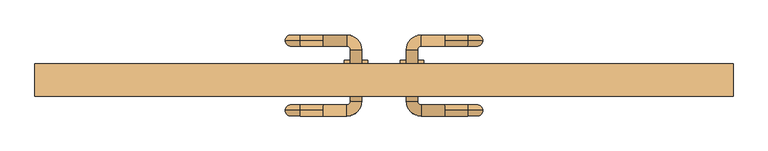
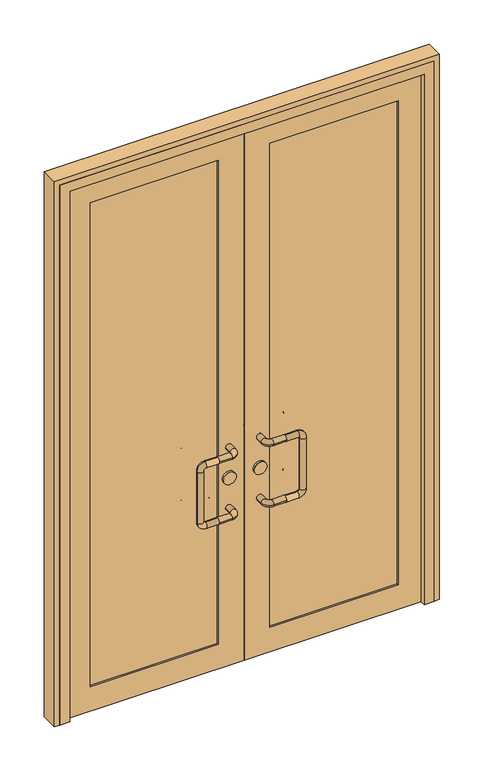
"""IFC4 building model written with IfcOpenShell, lengths in millimetres: door geometry."""

from ifc_helpers import new_model, si_unit, point, frame, frame_2d, origin, place, context, project, spatial, polyline, circle_curve, ellipse_curve, trimmed, segment, composite_curve, outline, extrude, faceted_brep, source, transform, mapped, element, save
from ifc_brep_helpers import cylinder_surface, revolved_surface, advanced_brep


def door_937a8929(model_context):
    return source(origin(), model_context, "Body", "SolidModel", [
        advanced_brep(
        [(-130.0, 122.0, 900.0), (-130.0, 110.0, 912.0), (-130.0, 98.0, 900.0), (-80.0, 98.0, 900.0), (-80.0, 122.0, 900.0), (-130.0, 110.0, 888.0), (-72.0, 90.0, 900.0), (-48.0, 90.0, 900.0), (-72.0, -20.0, 900.0), (-48.0, -20.0, 900.0), (-80.0, -28.0, 900.0), (-80.0, -52.0, 900.0), (-130.0, -28.0, 900.0), (-130.0, -40.0, 912.0), (-130.0, -52.0, 900.0), (-130.0, -40.0, 888.0), (-180.0, 110.0, 912.0), (-180.0, 110.0, 888.0), (-212.0, 110.0, 880.0), (-188.0, 110.0, 880.0), (-212.0, 110.0, 670.0), (-188.0, 110.0, 670.0), (-180.0, 110.0, 638.0), (-180.0, 110.0, 662.0), (-130.0, 110.0, 638.0), (-130.0, 98.0, 650.0), (-130.0, 110.0, 662.0), (-130.0, 122.0, 650.0), (-80.0, 98.0, 650.0), (-80.0, 122.0, 650.0), (-72.0, 90.0, 650.0), (-48.0, 90.0, 650.0), (-72.0, -20.0, 650.0), (-48.0, -20.0, 650.0), (-80.0, -28.0, 650.0), (-80.0, -52.0, 650.0), (-130.0, -28.0, 650.0), (-130.0, -40.0, 662.0), (-130.0, -52.0, 650.0), (-130.0, -40.0, 638.0), (-180.0, -40.0, 912.0), (-180.0, -40.0, 888.0), (-212.0, -40.0, 880.0), (-188.0, -40.0, 880.0), (-212.0, -40.0, 670.0), (-188.0, -40.0, 670.0), (-180.0, -40.0, 638.0), (-180.0, -40.0, 662.0)],
        [
            (0, 1, circle_curve(frame((-130.0, 110.0, 900.0), z_axis=(1.0, 0.0, 0.0), x_axis=(0.0, -1.0, 0.0)), 12.0)),
            (1, 2, circle_curve(frame((-130.0, 110.0, 900.0), z_axis=(1.0, 0.0, 0.0), x_axis=(0.0, -1.0, 0.0)), 12.0)),
            (2, 3),
            (3, 4, circle_curve(frame((-80.0, 110.0, 900.0), z_axis=(-1.0, 0.0, 0.0), x_axis=(0.0, -1.0, 0.0)), 12.0)),
            (4, 0),
            (4, 3, circle_curve(frame((-80.0, 110.0, 900.0), z_axis=(-1.0, 0.0, 0.0), x_axis=(0.0, -1.0, 0.0)), 12.0)),
            (2, 5, circle_curve(frame((-130.0, 110.0, 900.0), z_axis=(1.0, 0.0, 0.0), x_axis=(0.0, -1.0, 0.0)), 12.0)),
            (5, 0, circle_curve(frame((-130.0, 110.0, 900.0), z_axis=(1.0, 0.0, 0.0), x_axis=(0.0, -1.0, 0.0)), 12.0)),
            (3, 6, circle_curve(frame((-80.0, 90.0, 900.0), z_axis=(0.0, 0.0, -1.0), x_axis=(0.0, 1.0, 0.0)), 8.0)),
            (6, 7, circle_curve(frame((-60.0, 90.0, 900.0), z_axis=(0.0, 1.0, 0.0), x_axis=(-1.0, 0.0, 0.0)), 12.0)),
            (7, 4, circle_curve(frame((-80.0, 90.0, 900.0), z_axis=(0.0, 0.0, 1.0), x_axis=(0.0, 1.0, 0.0)), 32.0)),
            (7, 6, circle_curve(frame((-60.0, 90.0, 900.0), z_axis=(0.0, 1.0, 0.0), x_axis=(-1.0, 0.0, 0.0)), 12.0)),
            (6, 8),
            (8, 9, circle_curve(frame((-60.0, -20.0, 900.0), z_axis=(0.0, 1.0, 0.0), x_axis=(-1.0, 0.0, 0.0)), 12.0)),
            (9, 7),
            (9, 8, circle_curve(frame((-60.0, -20.0, 900.0), z_axis=(0.0, 1.0, 0.0), x_axis=(-1.0, 0.0, 0.0)), 12.0)),
            (8, 10, circle_curve(frame((-80.0, -20.0, 900.0), z_axis=(0.0, 0.0, -1.0), x_axis=(1.0, 0.0, 0.0)), 8.0)),
            (10, 11, circle_curve(frame((-80.0, -40.0, 900.0), z_axis=(1.0, 0.0, 0.0), x_axis=(0.0, 1.0, 0.0)), 12.0)),
            (11, 9, circle_curve(frame((-80.0, -20.0, 900.0), z_axis=(0.0, 0.0, 1.0), x_axis=(1.0, 0.0, 0.0)), 32.0)),
            (11, 10, circle_curve(frame((-80.0, -40.0, 900.0), z_axis=(1.0, 0.0, 0.0), x_axis=(0.0, 1.0, 0.0)), 12.0)),
            (10, 12),
            (12, 13, circle_curve(frame((-130.0, -40.0, 900.0), z_axis=(1.0, 0.0, 0.0), x_axis=(0.0, 1.0, 0.0)), 12.0)),
            (13, 14, circle_curve(frame((-130.0, -40.0, 900.0), z_axis=(1.0, 0.0, 0.0), x_axis=(0.0, 1.0, 0.0)), 12.0)),
            (14, 11),
            (14, 15, circle_curve(frame((-130.0, -40.0, 900.0), z_axis=(1.0, 0.0, 0.0), x_axis=(0.0, 1.0, 0.0)), 12.0)),
            (15, 12, circle_curve(frame((-130.0, -40.0, 900.0), z_axis=(1.0, 0.0, 0.0), x_axis=(0.0, 1.0, 0.0)), 12.0)),
            (1, 16),
            (16, 17, circle_curve(frame((-180.0, 110.0, 900.0), z_axis=(1.0, 0.0, 0.0), x_axis=(0.0, 0.0, 1.0)), 12.0)),
            (17, 5),
            (17, 16, circle_curve(frame((-180.0, 110.0, 900.0), z_axis=(1.0, 0.0, 0.0), x_axis=(0.0, 0.0, 1.0)), 12.0)),
            (16, 18, circle_curve(frame((-180.0, 110.0, 880.0), z_axis=(0.0, -1.0, 0.0), x_axis=(0.0, 0.0, 1.0)), 32.0)),
            (18, 19, circle_curve(frame((-200.0, 110.0, 880.0), z_axis=(0.0, 0.0, 1.0), x_axis=(-1.0, 0.0, 0.0)), 12.0)),
            (19, 17, circle_curve(frame((-180.0, 110.0, 880.0), z_axis=(0.0, 1.0, 0.0), x_axis=(0.0, 0.0, 1.0)), 8.0)),
            (19, 18, circle_curve(frame((-200.0, 110.0, 880.0), z_axis=(0.0, 0.0, 1.0), x_axis=(-1.0, 0.0, 0.0)), 12.0)),
            (18, 20),
            (20, 21, circle_curve(frame((-200.0, 110.0, 670.0), z_axis=(0.0, 0.0, 1.0), x_axis=(-1.0, 0.0, 0.0)), 12.0)),
            (21, 19),
            (21, 20, circle_curve(frame((-200.0, 110.0, 670.0), z_axis=(0.0, 0.0, 1.0), x_axis=(-1.0, 0.0, 0.0)), 12.0)),
            (20, 22, circle_curve(frame((-180.0, 110.0, 670.0), z_axis=(0.0, -1.0, 0.0), x_axis=(-1.0, 0.0, 0.0)), 32.0)),
            (22, 23, circle_curve(frame((-180.0, 110.0, 650.0), z_axis=(-1.0, 0.0, 0.0), x_axis=(0.0, 0.0, -1.0)), 12.0)),
            (23, 21, circle_curve(frame((-180.0, 110.0, 670.0), z_axis=(0.0, 1.0, 0.0), x_axis=(-1.0, 0.0, 0.0)), 8.0)),
            (23, 22, circle_curve(frame((-180.0, 110.0, 650.0), z_axis=(-1.0, 0.0, 0.0), x_axis=(0.0, 0.0, -1.0)), 12.0)),
            (22, 24),
            (24, 25, circle_curve(frame((-130.0, 110.0, 650.0), z_axis=(-1.0, 0.0, 0.0), x_axis=(0.0, 0.0, -1.0)), 12.0)),
            (25, 26, circle_curve(frame((-130.0, 110.0, 650.0), z_axis=(-1.0, 0.0, 0.0), x_axis=(0.0, 0.0, -1.0)), 12.0)),
            (26, 23),
            (26, 27, circle_curve(frame((-130.0, 110.0, 650.0), z_axis=(-1.0, 0.0, 0.0), x_axis=(0.0, 0.0, -1.0)), 12.0)),
            (27, 24, circle_curve(frame((-130.0, 110.0, 650.0), z_axis=(-1.0, 0.0, 0.0), x_axis=(0.0, 0.0, -1.0)), 12.0)),
            (25, 28),
            (28, 29, circle_curve(frame((-80.0, 110.0, 650.0), z_axis=(-1.0, 0.0, 0.0), x_axis=(0.0, -1.0, 0.0)), 12.0)),
            (29, 27),
            (29, 28, circle_curve(frame((-80.0, 110.0, 650.0), z_axis=(-1.0, 0.0, 0.0), x_axis=(0.0, -1.0, 0.0)), 12.0)),
            (28, 30, circle_curve(frame((-80.0, 90.0, 650.0), z_axis=(0.0, 0.0, -1.0), x_axis=(0.0, 1.0, 0.0)), 8.0)),
            (30, 31, circle_curve(frame((-60.0, 90.0, 650.0), z_axis=(0.0, 1.0, 0.0), x_axis=(-1.0, 0.0, 0.0)), 12.0)),
            (31, 29, circle_curve(frame((-80.0, 90.0, 650.0), z_axis=(0.0, 0.0, 1.0), x_axis=(0.0, 1.0, 0.0)), 32.0)),
            (31, 30, circle_curve(frame((-60.0, 90.0, 650.0), z_axis=(0.0, 1.0, 0.0), x_axis=(-1.0, 0.0, 0.0)), 12.0)),
            (30, 32),
            (32, 33, circle_curve(frame((-60.0, -20.0, 650.0), z_axis=(0.0, 1.0, 0.0), x_axis=(-1.0, 0.0, 0.0)), 12.0)),
            (33, 31),
            (33, 32, circle_curve(frame((-60.0, -20.0, 650.0), z_axis=(0.0, 1.0, 0.0), x_axis=(-1.0, 0.0, 0.0)), 12.0)),
            (32, 34, circle_curve(frame((-80.0, -20.0, 650.0), z_axis=(0.0, 0.0, -1.0), x_axis=(1.0, 0.0, 0.0)), 8.0)),
            (34, 35, circle_curve(frame((-80.0, -40.0, 650.0), z_axis=(1.0, 0.0, 0.0), x_axis=(0.0, 1.0, 0.0)), 12.0)),
            (35, 33, circle_curve(frame((-80.0, -20.0, 650.0), z_axis=(0.0, 0.0, 1.0), x_axis=(1.0, 0.0, 0.0)), 32.0)),
            (35, 34, circle_curve(frame((-80.0, -40.0, 650.0), z_axis=(1.0, 0.0, 0.0), x_axis=(0.0, 1.0, 0.0)), 12.0)),
            (34, 36),
            (36, 37, circle_curve(frame((-130.0, -40.0, 650.0), z_axis=(1.0, 0.0, 0.0), x_axis=(0.0, 1.0, 0.0)), 12.0)),
            (37, 38, circle_curve(frame((-130.0, -40.0, 650.0), z_axis=(1.0, 0.0, 0.0), x_axis=(0.0, 1.0, 0.0)), 12.0)),
            (38, 35),
            (38, 39, circle_curve(frame((-130.0, -40.0, 650.0), z_axis=(1.0, 0.0, 0.0), x_axis=(0.0, 1.0, 0.0)), 12.0)),
            (39, 36, circle_curve(frame((-130.0, -40.0, 650.0), z_axis=(1.0, 0.0, 0.0), x_axis=(0.0, 1.0, 0.0)), 12.0)),
            (13, 40),
            (40, 41, circle_curve(frame((-180.0, -40.0, 900.0), z_axis=(1.0, 0.0, 0.0), x_axis=(0.0, 0.0, 1.0)), 12.0)),
            (41, 15),
            (41, 40, circle_curve(frame((-180.0, -40.0, 900.0), z_axis=(1.0, 0.0, 0.0), x_axis=(0.0, 0.0, 1.0)), 12.0)),
            (40, 42, circle_curve(frame((-180.0, -40.0, 880.0), z_axis=(0.0, -1.0, 0.0), x_axis=(0.0, 0.0, 1.0)), 32.0)),
            (42, 43, circle_curve(frame((-200.0, -40.0, 880.0), z_axis=(0.0, 0.0, 1.0), x_axis=(-1.0, 0.0, 0.0)), 12.0)),
            (43, 41, circle_curve(frame((-180.0, -40.0, 880.0), z_axis=(0.0, 1.0, 0.0), x_axis=(0.0, 0.0, 1.0)), 8.0)),
            (43, 42, circle_curve(frame((-200.0, -40.0, 880.0), z_axis=(0.0, 0.0, 1.0), x_axis=(-1.0, 0.0, 0.0)), 12.0)),
            (42, 44),
            (44, 45, circle_curve(frame((-200.0, -40.0, 670.0), z_axis=(0.0, 0.0, 1.0), x_axis=(-1.0, 0.0, 0.0)), 12.0)),
            (45, 43),
            (45, 44, circle_curve(frame((-200.0, -40.0, 670.0), z_axis=(0.0, 0.0, 1.0), x_axis=(-1.0, 0.0, 0.0)), 12.0)),
            (44, 46, circle_curve(frame((-180.0, -40.0, 670.0), z_axis=(0.0, -1.0, 0.0), x_axis=(-1.0, 0.0, 0.0)), 32.0)),
            (46, 47, circle_curve(frame((-180.0, -40.0, 650.0), z_axis=(-1.0, 0.0, 0.0), x_axis=(0.0, 0.0, -1.0)), 12.0)),
            (47, 45, circle_curve(frame((-180.0, -40.0, 670.0), z_axis=(0.0, 1.0, 0.0), x_axis=(-1.0, 0.0, 0.0)), 8.0)),
            (47, 46, circle_curve(frame((-180.0, -40.0, 650.0), z_axis=(-1.0, 0.0, 0.0), x_axis=(0.0, 0.0, -1.0)), 12.0)),
            (46, 39),
            (37, 47),
        ],
        [
            cylinder_surface(frame((-130.0, 110.0, 900.0), z_axis=(-1.0, 0.0, 0.0), x_axis=(0.0, -1.0, 0.0)), 12.0),
            revolved_surface(trimmed(ellipse_curve(frame((-80.0, 110.0, 900.0), z_axis=(1.0, 0.0, 0.0), x_axis=(0.0, -1.0, 0.0)), 12.0, 12.0), [point((-80.0, 122.0, 900.0))], [point((-80.0, 98.0, 900.0))], True, "CARTESIAN"), (-80.0, 90.0, 900.0), (0.0, 0.0, 1.0)),
            revolved_surface(trimmed(ellipse_curve(frame((-80.0, 110.0, 900.0), z_axis=(1.0, 0.0, 0.0), x_axis=(0.0, -1.0, 0.0)), 12.0, 12.0), [point((-80.0, 98.0, 900.0))], [point((-80.0, 122.0, 900.0))], True, "CARTESIAN"), (-80.0, 90.0, 900.0), (0.0, 0.0, 1.0)),
            cylinder_surface(frame((-60.0, 90.0, 900.0), z_axis=(0.0, 1.0, 0.0), x_axis=(-1.0, 0.0, 0.0)), 12.0),
            revolved_surface(trimmed(ellipse_curve(frame((-60.0, -20.0, 900.0), z_axis=(0.0, -1.0, 0.0), x_axis=(-1.0, 0.0, 0.0)), 12.0, 12.0), [point((-48.0, -20.0, 900.0))], [point((-72.0, -20.0, 900.0))], True, "CARTESIAN"), (-80.0, -20.0, 900.0), (0.0, 0.0, 1.0)),
            revolved_surface(trimmed(ellipse_curve(frame((-60.0, -20.0, 900.0), z_axis=(0.0, -1.0, 0.0), x_axis=(-1.0, 0.0, 0.0)), 12.0, 12.0), [point((-72.0, -20.0, 900.0))], [point((-48.0, -20.0, 900.0))], True, "CARTESIAN"), (-80.0, -20.0, 900.0), (0.0, 0.0, 1.0)),
            cylinder_surface(frame((-80.0, -40.0, 900.0), z_axis=(1.0, 0.0, 0.0), x_axis=(0.0, 1.0, 0.0)), 12.0),
            cylinder_surface(frame((-130.0, 110.0, 900.0), z_axis=(1.0, 0.0, 0.0), x_axis=(0.0, 0.0, 1.0)), 12.0),
            revolved_surface(trimmed(ellipse_curve(frame((-180.0, 110.0, 900.0), z_axis=(-1.0, 0.0, 0.0), x_axis=(0.0, 0.0, 1.0)), 12.0, 12.0), [point((-180.0, 110.0, 888.0))], [point((-180.0, 110.0, 912.0))], True, "CARTESIAN"), (-180.0, 110.0, 880.0), (0.0, 1.0, 0.0)),
            revolved_surface(trimmed(ellipse_curve(frame((-180.0, 110.0, 900.0), z_axis=(-1.0, 0.0, 0.0), x_axis=(0.0, 0.0, 1.0)), 12.0, 12.0), [point((-180.0, 110.0, 912.0))], [point((-180.0, 110.0, 888.0))], True, "CARTESIAN"), (-180.0, 110.0, 880.0), (0.0, 1.0, 0.0)),
            cylinder_surface(frame((-200.0, 110.0, 880.0), z_axis=(0.0, 0.0, 1.0), x_axis=(-1.0, 0.0, 0.0)), 12.0),
            revolved_surface(trimmed(ellipse_curve(frame((-200.0, 110.0, 670.0), z_axis=(0.0, 0.0, -1.0), x_axis=(-1.0, 0.0, 0.0)), 12.0, 12.0), [point((-188.0, 110.0, 670.0))], [point((-212.0, 110.0, 670.0))], True, "CARTESIAN"), (-180.0, 110.0, 670.0), (0.0, 1.0, 0.0)),
            revolved_surface(trimmed(ellipse_curve(frame((-200.0, 110.0, 670.0), z_axis=(0.0, 0.0, -1.0), x_axis=(-1.0, 0.0, 0.0)), 12.0, 12.0), [point((-212.0, 110.0, 670.0))], [point((-188.0, 110.0, 670.0))], True, "CARTESIAN"), (-180.0, 110.0, 670.0), (0.0, 1.0, 0.0)),
            cylinder_surface(frame((-180.0, 110.0, 650.0), z_axis=(-1.0, 0.0, 0.0), x_axis=(0.0, 0.0, -1.0)), 12.0),
            cylinder_surface(frame((-130.0, 110.0, 650.0), z_axis=(-1.0, 0.0, 0.0), x_axis=(0.0, -1.0, 0.0)), 12.0),
            revolved_surface(trimmed(ellipse_curve(frame((-80.0, 110.0, 650.0), z_axis=(1.0, 0.0, 0.0), x_axis=(0.0, -1.0, 0.0)), 12.0, 12.0), [point((-80.0, 122.0, 650.0))], [point((-80.0, 98.0, 650.0))], True, "CARTESIAN"), (-80.0, 90.0, 650.0), (0.0, 0.0, 1.0)),
            revolved_surface(trimmed(ellipse_curve(frame((-80.0, 110.0, 650.0), z_axis=(1.0, 0.0, 0.0), x_axis=(0.0, -1.0, 0.0)), 12.0, 12.0), [point((-80.0, 98.0, 650.0))], [point((-80.0, 122.0, 650.0))], True, "CARTESIAN"), (-80.0, 90.0, 650.0), (0.0, 0.0, 1.0)),
            cylinder_surface(frame((-60.0, 90.0, 650.0), z_axis=(0.0, 1.0, 0.0), x_axis=(-1.0, 0.0, 0.0)), 12.0),
            revolved_surface(trimmed(ellipse_curve(frame((-60.0, -20.0, 650.0), z_axis=(0.0, -1.0, 0.0), x_axis=(-1.0, 0.0, 0.0)), 12.0, 12.0), [point((-48.0, -20.0, 650.0))], [point((-72.0, -20.0, 650.0))], True, "CARTESIAN"), (-80.0, -20.0, 650.0), (0.0, 0.0, 1.0)),
            revolved_surface(trimmed(ellipse_curve(frame((-60.0, -20.0, 650.0), z_axis=(0.0, -1.0, 0.0), x_axis=(-1.0, 0.0, 0.0)), 12.0, 12.0), [point((-72.0, -20.0, 650.0))], [point((-48.0, -20.0, 650.0))], True, "CARTESIAN"), (-80.0, -20.0, 650.0), (0.0, 0.0, 1.0)),
            cylinder_surface(frame((-80.0, -40.0, 650.0), z_axis=(1.0, 0.0, 0.0), x_axis=(0.0, 1.0, 0.0)), 12.0),
            cylinder_surface(frame((-130.0, -40.0, 900.0), z_axis=(1.0, 0.0, 0.0), x_axis=(0.0, 0.0, 1.0)), 12.0),
            revolved_surface(trimmed(ellipse_curve(frame((-180.0, -40.0, 900.0), z_axis=(-1.0, 0.0, 0.0), x_axis=(0.0, 0.0, 1.0)), 12.0, 12.0), [point((-180.0, -40.0, 888.0))], [point((-180.0, -40.0, 912.0))], True, "CARTESIAN"), (-180.0, -40.0, 880.0), (0.0, 1.0, 0.0)),
            revolved_surface(trimmed(ellipse_curve(frame((-180.0, -40.0, 900.0), z_axis=(-1.0, 0.0, 0.0), x_axis=(0.0, 0.0, 1.0)), 12.0, 12.0), [point((-180.0, -40.0, 912.0))], [point((-180.0, -40.0, 888.0))], True, "CARTESIAN"), (-180.0, -40.0, 880.0), (0.0, 1.0, 0.0)),
            cylinder_surface(frame((-200.0, -40.0, 880.0), z_axis=(0.0, 0.0, 1.0), x_axis=(-1.0, 0.0, 0.0)), 12.0),
            revolved_surface(trimmed(ellipse_curve(frame((-200.0, -40.0, 670.0), z_axis=(0.0, 0.0, -1.0), x_axis=(-1.0, 0.0, 0.0)), 12.0, 12.0), [point((-188.0, -40.0, 670.0))], [point((-212.0, -40.0, 670.0))], True, "CARTESIAN"), (-180.0, -40.0, 670.0), (0.0, 1.0, 0.0)),
            revolved_surface(trimmed(ellipse_curve(frame((-200.0, -40.0, 670.0), z_axis=(0.0, 0.0, -1.0), x_axis=(-1.0, 0.0, 0.0)), 12.0, 12.0), [point((-212.0, -40.0, 670.0))], [point((-188.0, -40.0, 670.0))], True, "CARTESIAN"), (-180.0, -40.0, 670.0), (0.0, 1.0, 0.0)),
            cylinder_surface(frame((-180.0, -40.0, 650.0), z_axis=(-1.0, 0.0, 0.0), x_axis=(0.0, 0.0, -1.0)), 12.0),
        ],
        [
            (0, [[1, 2, 3, 4, 5]]),
            (0, [[6, -3, 7, 8, -5]]),
            (1, [[9, 10, 11, -4]]),
            (2, [[-11, 12, -9, -6]]),
            (3, [[13, 14, 15, -10]]),
            (3, [[-15, 16, -13, -12]]),
            (4, [[17, 18, 19, -14]]),
            (5, [[-19, 20, -17, -16]]),
            (6, [[21, 22, 23, 24, -18]]),
            (6, [[-24, 25, 26, -21, -20]]),
            (7, [[-7, -2, 27, 28, 29]]),
            (7, [[30, -27, -1, -8, -29]]),
            (8, [[31, 32, 33, -28]]),
            (9, [[-33, 34, -31, -30]]),
            (10, [[35, 36, 37, -32]]),
            (10, [[-37, 38, -35, -34]]),
            (11, [[39, 40, 41, -36]]),
            (12, [[-41, 42, -39, -38]]),
            (13, [[43, 44, 45, 46, -40]]),
            (13, [[-46, 47, 48, -43, -42]]),
            (14, [[-47, -45, 49, 50, 51]]),
            (14, [[52, -49, -44, -48, -51]]),
            (15, [[53, 54, 55, -50]]),
            (16, [[-55, 56, -53, -52]]),
            (17, [[57, 58, 59, -54]]),
            (17, [[-59, 60, -57, -56]]),
            (18, [[61, 62, 63, -58]]),
            (19, [[-63, 64, -61, -60]]),
            (20, [[65, 66, 67, 68, -62]]),
            (20, [[-68, 69, 70, -65, -64]]),
            (21, [[-25, -23, 71, 72, 73]]),
            (21, [[74, -71, -22, -26, -73]]),
            (22, [[75, 76, 77, -72]]),
            (23, [[-77, 78, -75, -74]]),
            (24, [[79, 80, 81, -76]]),
            (24, [[-81, 82, -79, -78]]),
            (25, [[83, 84, 85, -80]]),
            (26, [[-85, 86, -83, -82]]),
            (27, [[87, -69, -67, 88, -84]]),
            (27, [[-88, -66, -70, -87, -86]]),
        ],
    ),
        extrude(outline(composite_curve([segment(trimmed(circle_curve(frame_2d((775.0, -60.0)), 25.0), [point((775.0, -35.0))], [point((775.0, -85.0))], False, "CARTESIAN"), True, "CONTINUOUS"), segment(trimmed(circle_curve(frame_2d((775.0, -60.0)), 25.0), [point((775.0, -85.0))], [point((775.0, -35.0))], False, "CARTESIAN"), True, "CONTINUOUS")], self_intersect=False)), frame((0.0, 2.0, 0.0), z_axis=(0.0, 1.0, 0.0), x_axis=(0.0, 0.0, 1.0)), (0.0, 0.0, 1.0), 66.0),
        advanced_brep(
        [(130.0, 122.0, 900.0), (80.0, 122.0, 900.0), (80.0, 98.0, 900.0), (130.0, 98.0, 900.0), (130.0, 110.0, 912.0), (130.0, 110.0, 888.0), (48.0, 90.0, 900.0), (72.0, 90.0, 900.0), (48.0, -20.0, 900.0), (72.0, -20.0, 900.0), (80.0, -52.0, 900.0), (80.0, -28.0, 900.0), (130.0, -52.0, 900.0), (130.0, -40.0, 912.0), (130.0, -28.0, 900.0), (130.0, -40.0, 888.0), (180.0, 110.0, 888.0), (180.0, 110.0, 912.0), (188.0, 110.0, 880.0), (212.0, 110.0, 880.0), (188.0, 110.0, 670.0), (212.0, 110.0, 670.0), (180.0, 110.0, 662.0), (180.0, 110.0, 638.0), (130.0, 110.0, 662.0), (130.0, 98.0, 650.0), (130.0, 110.0, 638.0), (130.0, 122.0, 650.0), (80.0, 122.0, 650.0), (80.0, 98.0, 650.0), (48.0, 90.0, 650.0), (72.0, 90.0, 650.0), (48.0, -20.0, 650.0), (72.0, -20.0, 650.0), (80.0, -52.0, 650.0), (80.0, -28.0, 650.0), (130.0, -52.0, 650.0), (130.0, -40.0, 662.0), (130.0, -28.0, 650.0), (130.0, -40.0, 638.0), (180.0, -40.0, 888.0), (180.0, -40.0, 912.0), (188.0, -40.0, 880.0), (212.0, -40.0, 880.0), (188.0, -40.0, 670.0), (212.0, -40.0, 670.0), (180.0, -40.0, 662.0), (180.0, -40.0, 638.0)],
        [
            (0, 1),
            (1, 2, circle_curve(frame((80.0, 110.0, 900.0), z_axis=(1.0, 0.0, 0.0), x_axis=(0.0, -1.0, 0.0)), 12.0)),
            (2, 3),
            (3, 4, circle_curve(frame((130.0, 110.0, 900.0), z_axis=(-1.0, 0.0, 0.0), x_axis=(0.0, -1.0, 0.0)), 12.0)),
            (4, 0, circle_curve(frame((130.0, 110.0, 900.0), z_axis=(-1.0, 0.0, 0.0), x_axis=(0.0, -1.0, 0.0)), 12.0)),
            (0, 5, circle_curve(frame((130.0, 110.0, 900.0), z_axis=(-1.0, 0.0, 0.0), x_axis=(0.0, -1.0, 0.0)), 12.0)),
            (5, 3, circle_curve(frame((130.0, 110.0, 900.0), z_axis=(-1.0, 0.0, 0.0), x_axis=(0.0, -1.0, 0.0)), 12.0)),
            (2, 1, circle_curve(frame((80.0, 110.0, 900.0), z_axis=(1.0, 0.0, 0.0), x_axis=(0.0, -1.0, 0.0)), 12.0)),
            (1, 6, circle_curve(frame((80.0, 90.0, 900.0), z_axis=(0.0, 0.0, 1.0), x_axis=(0.0, 1.0, 0.0)), 32.0)),
            (6, 7, circle_curve(frame((60.0, 90.0, 900.0), z_axis=(0.0, 1.0, 0.0), x_axis=(1.0, 0.0, 0.0)), 12.0)),
            (7, 2, circle_curve(frame((80.0, 90.0, 900.0), z_axis=(0.0, 0.0, -1.0), x_axis=(0.0, 1.0, 0.0)), 8.0)),
            (7, 6, circle_curve(frame((60.0, 90.0, 900.0), z_axis=(0.0, 1.0, 0.0), x_axis=(1.0, 0.0, 0.0)), 12.0)),
            (6, 8),
            (8, 9, circle_curve(frame((60.0, -20.0, 900.0), z_axis=(0.0, 1.0, 0.0), x_axis=(1.0, 0.0, 0.0)), 12.0)),
            (9, 7),
            (9, 8, circle_curve(frame((60.0, -20.0, 900.0), z_axis=(0.0, 1.0, 0.0), x_axis=(1.0, 0.0, 0.0)), 12.0)),
            (8, 10, circle_curve(frame((80.0, -20.0, 900.0), z_axis=(0.0, 0.0, 1.0), x_axis=(-1.0, 0.0, 0.0)), 32.0)),
            (10, 11, circle_curve(frame((80.0, -40.0, 900.0), z_axis=(-1.0, 0.0, 0.0), x_axis=(0.0, 1.0, 0.0)), 12.0)),
            (11, 9, circle_curve(frame((80.0, -20.0, 900.0), z_axis=(0.0, 0.0, -1.0), x_axis=(-1.0, 0.0, 0.0)), 8.0)),
            (11, 10, circle_curve(frame((80.0, -40.0, 900.0), z_axis=(-1.0, 0.0, 0.0), x_axis=(0.0, 1.0, 0.0)), 12.0)),
            (10, 12),
            (12, 13, circle_curve(frame((130.0, -40.0, 900.0), z_axis=(-1.0, 0.0, 0.0), x_axis=(0.0, 1.0, 0.0)), 12.0)),
            (13, 14, circle_curve(frame((130.0, -40.0, 900.0), z_axis=(-1.0, 0.0, 0.0), x_axis=(0.0, 1.0, 0.0)), 12.0)),
            (14, 11),
            (14, 15, circle_curve(frame((130.0, -40.0, 900.0), z_axis=(-1.0, 0.0, 0.0), x_axis=(0.0, 1.0, 0.0)), 12.0)),
            (15, 12, circle_curve(frame((130.0, -40.0, 900.0), z_axis=(-1.0, 0.0, 0.0), x_axis=(0.0, 1.0, 0.0)), 12.0)),
            (5, 16),
            (16, 17, circle_curve(frame((180.0, 110.0, 900.0), z_axis=(-1.0, 0.0, 0.0), x_axis=(0.0, 0.0, 1.0)), 12.0)),
            (17, 4),
            (17, 16, circle_curve(frame((180.0, 110.0, 900.0), z_axis=(-1.0, 0.0, 0.0), x_axis=(0.0, 0.0, 1.0)), 12.0)),
            (16, 18, circle_curve(frame((180.0, 110.0, 880.0), z_axis=(0.0, 1.0, 0.0), x_axis=(0.0, 0.0, 1.0)), 8.0)),
            (18, 19, circle_curve(frame((200.0, 110.0, 880.0), z_axis=(0.0, 0.0, 1.0), x_axis=(1.0, 0.0, 0.0)), 12.0)),
            (19, 17, circle_curve(frame((180.0, 110.0, 880.0), z_axis=(0.0, -1.0, 0.0), x_axis=(0.0, 0.0, 1.0)), 32.0)),
            (19, 18, circle_curve(frame((200.0, 110.0, 880.0), z_axis=(0.0, 0.0, 1.0), x_axis=(1.0, 0.0, 0.0)), 12.0)),
            (18, 20),
            (20, 21, circle_curve(frame((200.0, 110.0, 670.0), z_axis=(0.0, 0.0, 1.0), x_axis=(1.0, 0.0, 0.0)), 12.0)),
            (21, 19),
            (21, 20, circle_curve(frame((200.0, 110.0, 670.0), z_axis=(0.0, 0.0, 1.0), x_axis=(1.0, 0.0, 0.0)), 12.0)),
            (20, 22, circle_curve(frame((180.0, 110.0, 670.0), z_axis=(0.0, 1.0, 0.0), x_axis=(1.0, 0.0, 0.0)), 8.0)),
            (22, 23, circle_curve(frame((180.0, 110.0, 650.0), z_axis=(1.0, 0.0, 0.0), x_axis=(0.0, 0.0, -1.0)), 12.0)),
            (23, 21, circle_curve(frame((180.0, 110.0, 670.0), z_axis=(0.0, -1.0, 0.0), x_axis=(1.0, 0.0, 0.0)), 32.0)),
            (23, 22, circle_curve(frame((180.0, 110.0, 650.0), z_axis=(1.0, 0.0, 0.0), x_axis=(0.0, 0.0, -1.0)), 12.0)),
            (22, 24),
            (24, 25, circle_curve(frame((130.0, 110.0, 650.0), z_axis=(1.0, 0.0, 0.0), x_axis=(0.0, 0.0, -1.0)), 12.0)),
            (25, 26, circle_curve(frame((130.0, 110.0, 650.0), z_axis=(1.0, 0.0, 0.0), x_axis=(0.0, 0.0, -1.0)), 12.0)),
            (26, 23),
            (26, 27, circle_curve(frame((130.0, 110.0, 650.0), z_axis=(1.0, 0.0, 0.0), x_axis=(0.0, 0.0, -1.0)), 12.0)),
            (27, 24, circle_curve(frame((130.0, 110.0, 650.0), z_axis=(1.0, 0.0, 0.0), x_axis=(0.0, 0.0, -1.0)), 12.0)),
            (27, 28),
            (28, 29, circle_curve(frame((80.0, 110.0, 650.0), z_axis=(1.0, 0.0, 0.0), x_axis=(0.0, -1.0, 0.0)), 12.0)),
            (29, 25),
            (29, 28, circle_curve(frame((80.0, 110.0, 650.0), z_axis=(1.0, 0.0, 0.0), x_axis=(0.0, -1.0, 0.0)), 12.0)),
            (28, 30, circle_curve(frame((80.0, 90.0, 650.0), z_axis=(0.0, 0.0, 1.0), x_axis=(0.0, 1.0, 0.0)), 32.0)),
            (30, 31, circle_curve(frame((60.0, 90.0, 650.0), z_axis=(0.0, 1.0, 0.0), x_axis=(1.0, 0.0, 0.0)), 12.0)),
            (31, 29, circle_curve(frame((80.0, 90.0, 650.0), z_axis=(0.0, 0.0, -1.0), x_axis=(0.0, 1.0, 0.0)), 8.0)),
            (31, 30, circle_curve(frame((60.0, 90.0, 650.0), z_axis=(0.0, 1.0, 0.0), x_axis=(1.0, 0.0, 0.0)), 12.0)),
            (30, 32),
            (32, 33, circle_curve(frame((60.0, -20.0, 650.0), z_axis=(0.0, 1.0, 0.0), x_axis=(1.0, 0.0, 0.0)), 12.0)),
            (33, 31),
            (33, 32, circle_curve(frame((60.0, -20.0, 650.0), z_axis=(0.0, 1.0, 0.0), x_axis=(1.0, 0.0, 0.0)), 12.0)),
            (32, 34, circle_curve(frame((80.0, -20.0, 650.0), z_axis=(0.0, 0.0, 1.0), x_axis=(-1.0, 0.0, 0.0)), 32.0)),
            (34, 35, circle_curve(frame((80.0, -40.0, 650.0), z_axis=(-1.0, 0.0, 0.0), x_axis=(0.0, 1.0, 0.0)), 12.0)),
            (35, 33, circle_curve(frame((80.0, -20.0, 650.0), z_axis=(0.0, 0.0, -1.0), x_axis=(-1.0, 0.0, 0.0)), 8.0)),
            (35, 34, circle_curve(frame((80.0, -40.0, 650.0), z_axis=(-1.0, 0.0, 0.0), x_axis=(0.0, 1.0, 0.0)), 12.0)),
            (34, 36),
            (36, 37, circle_curve(frame((130.0, -40.0, 650.0), z_axis=(-1.0, 0.0, 0.0), x_axis=(0.0, 1.0, 0.0)), 12.0)),
            (37, 38, circle_curve(frame((130.0, -40.0, 650.0), z_axis=(-1.0, 0.0, 0.0), x_axis=(0.0, 1.0, 0.0)), 12.0)),
            (38, 35),
            (38, 39, circle_curve(frame((130.0, -40.0, 650.0), z_axis=(-1.0, 0.0, 0.0), x_axis=(0.0, 1.0, 0.0)), 12.0)),
            (39, 36, circle_curve(frame((130.0, -40.0, 650.0), z_axis=(-1.0, 0.0, 0.0), x_axis=(0.0, 1.0, 0.0)), 12.0)),
            (15, 40),
            (40, 41, circle_curve(frame((180.0, -40.0, 900.0), z_axis=(-1.0, 0.0, 0.0), x_axis=(0.0, 0.0, 1.0)), 12.0)),
            (41, 13),
            (41, 40, circle_curve(frame((180.0, -40.0, 900.0), z_axis=(-1.0, 0.0, 0.0), x_axis=(0.0, 0.0, 1.0)), 12.0)),
            (40, 42, circle_curve(frame((180.0, -40.0, 880.0), z_axis=(0.0, 1.0, 0.0), x_axis=(0.0, 0.0, 1.0)), 8.0)),
            (42, 43, circle_curve(frame((200.0, -40.0, 880.0), z_axis=(0.0, 0.0, 1.0), x_axis=(1.0, 0.0, 0.0)), 12.0)),
            (43, 41, circle_curve(frame((180.0, -40.0, 880.0), z_axis=(0.0, -1.0, 0.0), x_axis=(0.0, 0.0, 1.0)), 32.0)),
            (43, 42, circle_curve(frame((200.0, -40.0, 880.0), z_axis=(0.0, 0.0, 1.0), x_axis=(1.0, 0.0, 0.0)), 12.0)),
            (42, 44),
            (44, 45, circle_curve(frame((200.0, -40.0, 670.0), z_axis=(0.0, 0.0, 1.0), x_axis=(1.0, 0.0, 0.0)), 12.0)),
            (45, 43),
            (45, 44, circle_curve(frame((200.0, -40.0, 670.0), z_axis=(0.0, 0.0, 1.0), x_axis=(1.0, 0.0, 0.0)), 12.0)),
            (44, 46, circle_curve(frame((180.0, -40.0, 670.0), z_axis=(0.0, 1.0, 0.0), x_axis=(1.0, 0.0, 0.0)), 8.0)),
            (46, 47, circle_curve(frame((180.0, -40.0, 650.0), z_axis=(1.0, 0.0, 0.0), x_axis=(0.0, 0.0, -1.0)), 12.0)),
            (47, 45, circle_curve(frame((180.0, -40.0, 670.0), z_axis=(0.0, -1.0, 0.0), x_axis=(1.0, 0.0, 0.0)), 32.0)),
            (47, 46, circle_curve(frame((180.0, -40.0, 650.0), z_axis=(1.0, 0.0, 0.0), x_axis=(0.0, 0.0, -1.0)), 12.0)),
            (46, 37),
            (39, 47),
        ],
        [
            cylinder_surface(frame((130.0, 110.0, 900.0), z_axis=(1.0, 0.0, 0.0), x_axis=(0.0, -1.0, 0.0)), 12.0),
            revolved_surface(trimmed(ellipse_curve(frame((80.0, 110.0, 900.0), z_axis=(1.0, 0.0, 0.0), x_axis=(0.0, -1.0, 0.0)), 12.0, 12.0), [point((80.0, 122.0, 900.0))], [point((80.0, 98.0, 900.0))], True, "CARTESIAN"), (80.0, 90.0, 900.0), (0.0, 0.0, 1.0)),
            revolved_surface(trimmed(ellipse_curve(frame((80.0, 110.0, 900.0), z_axis=(1.0, 0.0, 0.0), x_axis=(0.0, -1.0, 0.0)), 12.0, 12.0), [point((80.0, 98.0, 900.0))], [point((80.0, 122.0, 900.0))], True, "CARTESIAN"), (80.0, 90.0, 900.0), (0.0, 0.0, 1.0)),
            cylinder_surface(frame((60.0, 90.0, 900.0), z_axis=(0.0, 1.0, 0.0), x_axis=(1.0, 0.0, 0.0)), 12.0),
            revolved_surface(trimmed(ellipse_curve(frame((60.0, -20.0, 900.0), z_axis=(0.0, 1.0, 0.0), x_axis=(1.0, 0.0, 0.0)), 12.0, 12.0), [point((48.0, -20.0, 900.0))], [point((72.0, -20.0, 900.0))], True, "CARTESIAN"), (80.0, -20.0, 900.0), (0.0, 0.0, 1.0)),
            revolved_surface(trimmed(ellipse_curve(frame((60.0, -20.0, 900.0), z_axis=(0.0, 1.0, 0.0), x_axis=(1.0, 0.0, 0.0)), 12.0, 12.0), [point((72.0, -20.0, 900.0))], [point((48.0, -20.0, 900.0))], True, "CARTESIAN"), (80.0, -20.0, 900.0), (0.0, 0.0, 1.0)),
            cylinder_surface(frame((80.0, -40.0, 900.0), z_axis=(-1.0, 0.0, 0.0), x_axis=(0.0, 1.0, 0.0)), 12.0),
            cylinder_surface(frame((130.0, 110.0, 900.0), z_axis=(-1.0, 0.0, 0.0), x_axis=(0.0, 0.0, 1.0)), 12.0),
            revolved_surface(trimmed(ellipse_curve(frame((180.0, 110.0, 900.0), z_axis=(-1.0, 0.0, 0.0), x_axis=(0.0, 0.0, 1.0)), 12.0, 12.0), [point((180.0, 110.0, 888.0))], [point((180.0, 110.0, 912.0))], True, "CARTESIAN"), (180.0, 110.0, 880.0), (0.0, 1.0, 0.0)),
            revolved_surface(trimmed(ellipse_curve(frame((180.0, 110.0, 900.0), z_axis=(-1.0, 0.0, 0.0), x_axis=(0.0, 0.0, 1.0)), 12.0, 12.0), [point((180.0, 110.0, 912.0))], [point((180.0, 110.0, 888.0))], True, "CARTESIAN"), (180.0, 110.0, 880.0), (0.0, 1.0, 0.0)),
            cylinder_surface(frame((200.0, 110.0, 880.0), z_axis=(0.0, 0.0, 1.0), x_axis=(1.0, 0.0, 0.0)), 12.0),
            revolved_surface(trimmed(ellipse_curve(frame((200.0, 110.0, 670.0), z_axis=(0.0, 0.0, 1.0), x_axis=(1.0, 0.0, 0.0)), 12.0, 12.0), [point((188.0, 110.0, 670.0))], [point((212.0, 110.0, 670.0))], True, "CARTESIAN"), (180.0, 110.0, 670.0), (0.0, 1.0, 0.0)),
            revolved_surface(trimmed(ellipse_curve(frame((200.0, 110.0, 670.0), z_axis=(0.0, 0.0, 1.0), x_axis=(1.0, 0.0, 0.0)), 12.0, 12.0), [point((212.0, 110.0, 670.0))], [point((188.0, 110.0, 670.0))], True, "CARTESIAN"), (180.0, 110.0, 670.0), (0.0, 1.0, 0.0)),
            cylinder_surface(frame((180.0, 110.0, 650.0), z_axis=(1.0, 0.0, 0.0), x_axis=(0.0, 0.0, -1.0)), 12.0),
            cylinder_surface(frame((130.0, 110.0, 650.0), z_axis=(1.0, 0.0, 0.0), x_axis=(0.0, -1.0, 0.0)), 12.0),
            revolved_surface(trimmed(ellipse_curve(frame((80.0, 110.0, 650.0), z_axis=(1.0, 0.0, 0.0), x_axis=(0.0, -1.0, 0.0)), 12.0, 12.0), [point((80.0, 122.0, 650.0))], [point((80.0, 98.0, 650.0))], True, "CARTESIAN"), (80.0, 90.0, 650.0), (0.0, 0.0, 1.0)),
            revolved_surface(trimmed(ellipse_curve(frame((80.0, 110.0, 650.0), z_axis=(1.0, 0.0, 0.0), x_axis=(0.0, -1.0, 0.0)), 12.0, 12.0), [point((80.0, 98.0, 650.0))], [point((80.0, 122.0, 650.0))], True, "CARTESIAN"), (80.0, 90.0, 650.0), (0.0, 0.0, 1.0)),
            cylinder_surface(frame((60.0, 90.0, 650.0), z_axis=(0.0, 1.0, 0.0), x_axis=(1.0, 0.0, 0.0)), 12.0),
            revolved_surface(trimmed(ellipse_curve(frame((60.0, -20.0, 650.0), z_axis=(0.0, 1.0, 0.0), x_axis=(1.0, 0.0, 0.0)), 12.0, 12.0), [point((48.0, -20.0, 650.0))], [point((72.0, -20.0, 650.0))], True, "CARTESIAN"), (80.0, -20.0, 650.0), (0.0, 0.0, 1.0)),
            revolved_surface(trimmed(ellipse_curve(frame((60.0, -20.0, 650.0), z_axis=(0.0, 1.0, 0.0), x_axis=(1.0, 0.0, 0.0)), 12.0, 12.0), [point((72.0, -20.0, 650.0))], [point((48.0, -20.0, 650.0))], True, "CARTESIAN"), (80.0, -20.0, 650.0), (0.0, 0.0, 1.0)),
            cylinder_surface(frame((80.0, -40.0, 650.0), z_axis=(-1.0, 0.0, 0.0), x_axis=(0.0, 1.0, 0.0)), 12.0),
            cylinder_surface(frame((130.0, -40.0, 900.0), z_axis=(-1.0, 0.0, 0.0), x_axis=(0.0, 0.0, 1.0)), 12.0),
            revolved_surface(trimmed(ellipse_curve(frame((180.0, -40.0, 900.0), z_axis=(-1.0, 0.0, 0.0), x_axis=(0.0, 0.0, 1.0)), 12.0, 12.0), [point((180.0, -40.0, 888.0))], [point((180.0, -40.0, 912.0))], True, "CARTESIAN"), (180.0, -40.0, 880.0), (0.0, 1.0, 0.0)),
            revolved_surface(trimmed(ellipse_curve(frame((180.0, -40.0, 900.0), z_axis=(-1.0, 0.0, 0.0), x_axis=(0.0, 0.0, 1.0)), 12.0, 12.0), [point((180.0, -40.0, 912.0))], [point((180.0, -40.0, 888.0))], True, "CARTESIAN"), (180.0, -40.0, 880.0), (0.0, 1.0, 0.0)),
            cylinder_surface(frame((200.0, -40.0, 880.0), z_axis=(0.0, 0.0, 1.0), x_axis=(1.0, 0.0, 0.0)), 12.0),
            revolved_surface(trimmed(ellipse_curve(frame((200.0, -40.0, 670.0), z_axis=(0.0, 0.0, 1.0), x_axis=(1.0, 0.0, 0.0)), 12.0, 12.0), [point((188.0, -40.0, 670.0))], [point((212.0, -40.0, 670.0))], True, "CARTESIAN"), (180.0, -40.0, 670.0), (0.0, 1.0, 0.0)),
            revolved_surface(trimmed(ellipse_curve(frame((200.0, -40.0, 670.0), z_axis=(0.0, 0.0, 1.0), x_axis=(1.0, 0.0, 0.0)), 12.0, 12.0), [point((212.0, -40.0, 670.0))], [point((188.0, -40.0, 670.0))], True, "CARTESIAN"), (180.0, -40.0, 670.0), (0.0, 1.0, 0.0)),
            cylinder_surface(frame((180.0, -40.0, 650.0), z_axis=(1.0, 0.0, 0.0), x_axis=(0.0, 0.0, -1.0)), 12.0),
        ],
        [
            (0, [[1, 2, 3, 4, 5]]),
            (0, [[-1, 6, 7, -3, 8]]),
            (1, [[-2, 9, 10, 11]]),
            (2, [[-8, -11, 12, -9]]),
            (3, [[-10, 13, 14, 15]]),
            (3, [[-12, -15, 16, -13]]),
            (4, [[-14, 17, 18, 19]]),
            (5, [[-16, -19, 20, -17]]),
            (6, [[-18, 21, 22, 23, 24]]),
            (6, [[-20, -24, 25, 26, -21]]),
            (7, [[27, 28, 29, -4, -7]]),
            (7, [[-27, -6, -5, -29, 30]]),
            (8, [[-28, 31, 32, 33]]),
            (9, [[-30, -33, 34, -31]]),
            (10, [[-32, 35, 36, 37]]),
            (10, [[-34, -37, 38, -35]]),
            (11, [[-36, 39, 40, 41]]),
            (12, [[-38, -41, 42, -39]]),
            (13, [[-40, 43, 44, 45, 46]]),
            (13, [[-42, -46, 47, 48, -43]]),
            (14, [[49, 50, 51, -44, -48]]),
            (14, [[-49, -47, -45, -51, 52]]),
            (15, [[-50, 53, 54, 55]]),
            (16, [[-52, -55, 56, -53]]),
            (17, [[-54, 57, 58, 59]]),
            (17, [[-56, -59, 60, -57]]),
            (18, [[-58, 61, 62, 63]]),
            (19, [[-60, -63, 64, -61]]),
            (20, [[-62, 65, 66, 67, 68]]),
            (20, [[-64, -68, 69, 70, -65]]),
            (21, [[71, 72, 73, -22, -26]]),
            (21, [[-71, -25, -23, -73, 74]]),
            (22, [[-72, 75, 76, 77]]),
            (23, [[-74, -77, 78, -75]]),
            (24, [[-76, 79, 80, 81]]),
            (24, [[-78, -81, 82, -79]]),
            (25, [[-80, 83, 84, 85]]),
            (26, [[-82, -85, 86, -83]]),
            (27, [[-84, 87, -66, -70, 88]]),
            (27, [[-86, -88, -69, -67, -87]]),
        ],
    ),
        extrude(outline(composite_curve([segment(trimmed(circle_curve(frame_2d((775.0, 60.0)), 25.0), [point((775.0, 35.0))], [point((775.0, 85.0))], False, "CARTESIAN"), True, "CONTINUOUS"), segment(trimmed(circle_curve(frame_2d((775.0, 60.0)), 25.0), [point((775.0, 85.0))], [point((775.0, 35.0))], False, "CARTESIAN"), True, "CONTINUOUS")], self_intersect=False)), frame((0.0, 2.0, 0.0), z_axis=(0.0, 1.0, 0.0), x_axis=(0.0, 0.0, 1.0)), (0.0, 0.0, 1.0), 66.0),
        extrude(outline(polyline([(-600.0, 52.0), (-100.0, 52.0), (-100.0, 18.0), (-600.0, 18.0), (-600.0, 52.0)])), frame((0.0, 0.0, 100.0), z_axis=(0.0, 0.0, 1.0), x_axis=(1.0, 0.0, 0.0)), (0.0, 0.0, 1.0), 1995.0),
        extrude(outline(polyline([(0.0, -700.0), (0.0, 0.0), (2195.0, 0.0), (2195.0, -700.0), (0.0, -700.0)]), holes=[polyline([(100.0, -100.0), (100.0, -600.0), (2095.0, -600.0), (2095.0, -100.0), (100.0, -100.0)])]), frame((0.0, 10.0, 0.0), z_axis=(0.0, 1.0, 0.0), x_axis=(0.0, 0.0, 1.0)), (0.0, 0.0, 1.0), 50.0),
        extrude(outline(polyline([(100.0, 52.0), (600.0, 52.0), (600.0, 18.0), (100.0, 18.0), (100.0, 52.0)])), frame((0.0, 0.0, 100.0), z_axis=(0.0, 0.0, 1.0), x_axis=(1.0, 0.0, 0.0)), (0.0, 0.0, 1.0), 1995.0),
        extrude(outline(polyline([(0.0, 0.0), (0.0, 700.0), (2195.0, 700.0), (2195.0, 0.0), (0.0, 0.0)]), holes=[polyline([(100.0, 600.0), (100.0, 100.0), (2095.0, 100.0), (2095.0, 600.0), (100.0, 600.0)])]), frame((0.0, 10.0, 0.0), z_axis=(0.0, 1.0, 0.0), x_axis=(0.0, 0.0, 1.0)), (0.0, 0.0, 1.0), 50.0),
        extrude(outline(polyline([(0.0, 750.0), (2245.0, 750.0), (2245.0, -750.0), (0.0, -750.0), (0.0, -730.0), (2225.0, -730.0), (2225.0, 730.0), (0.0, 730.0), (0.0, 750.0)])), frame((0.0, -10.0, 0.0), z_axis=(0.0, 1.0, 0.0), x_axis=(0.0, 0.0, 1.0)), (0.0, 0.0, 1.0), 70.0),
        faceted_brep([(-730.0, -10.0, 0.0), (-730.0, 60.0, 0.0), (-700.0, 60.0, 0.0), (-700.0, 10.0, 0.0), (-690.0, 10.0, 0.0), (-690.0, -10.0, 0.0), (-730.0, -10.0, 2225.0), (-730.0, 60.0, 2225.0), (730.0, 60.0, 2225.0), (730.0, 60.0, 0.0), (700.0, 60.0, 0.0), (700.0, 60.0, 2195.0), (-700.0, 60.0, 2195.0), (-700.0, 10.0, 2195.0), (700.0, 10.0, 2195.0), (700.0, 10.0, 0.0), (690.0, 10.0, 0.0), (690.0, 10.0, 2185.0), (-690.0, 10.0, 2185.0), (-690.0, -10.0, 2185.0), (690.0, -10.0, 2185.0), (690.0, -10.0, 0.0), (730.0, -10.0, 0.0), (730.0, -10.0, 2225.0)], [[[0, 1, 2, 3, 4, 5]], [[1, 0, 6, 7]], [[2, 1, 7, 8, 9, 10, 11, 12]], [[3, 2, 12, 13]], [[4, 3, 13, 14, 15, 16, 17, 18]], [[5, 4, 18, 19]], [[0, 5, 19, 20, 21, 22, 23, 6]], [[7, 6, 23, 8]], [[13, 12, 11, 14]], [[19, 18, 17, 20]], [[22, 21, 16, 15, 10, 9]], [[8, 23, 22, 9]], [[14, 11, 10, 15]], [[20, 17, 16, 21]]]),
    ])


if __name__ == "__main__":
    model = new_model("IFC4")
    model_context = context("Model", 3, world=origin())
    ifc_project = project(units=[si_unit("LENGTHUNIT", "METRE", prefix="MILLI")], contexts=[model_context])
    site = spatial("IfcSite", under=ifc_project)
    building = spatial("IfcBuilding", under=site)
    placement = place(None, origin())
    door_shape = door_937a8929(model_context)
    element("IfcDoor", 1, at=placement, inside=building, context=model_context, shape_type="MappedRepresentation", body=[
        mapped(door_shape, transform((0.0, 0.0, 0.0), x_axis=(1.0, 0.0, 0.0), y_axis=(0.0, 1.0, 0.0), z_axis=(0.0, 0.0, 1.0))),
    ])
    save(model, "model.ifc")
